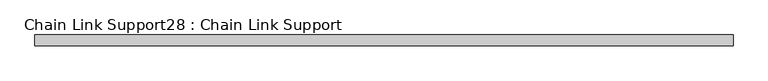
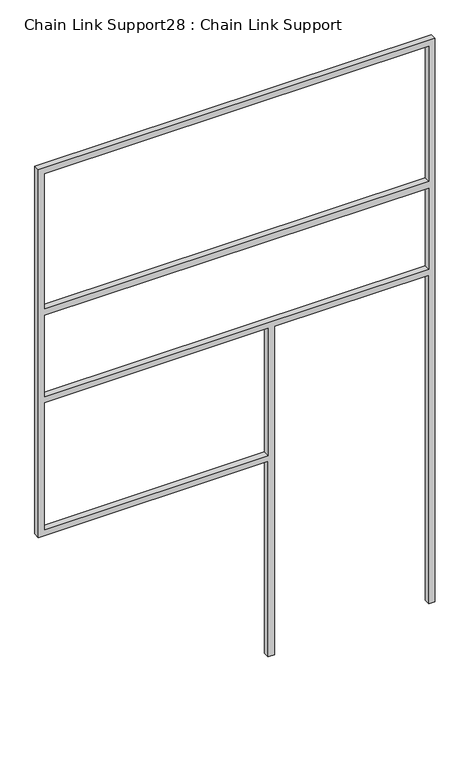
"""IFC4 building model written with IfcOpenShell, lengths in millimetres: proxy geometry, Chain Link Support28 : Chain Link Support."""

from ifc_helpers import new_model, si_unit, frame, origin, place, context, project, spatial, polyline, outline, extrude, source, transform, mapped, element, save


def chain_link_support28_chain_link_support_0de6685b(model_context):
    return source(origin(), model_context, "Body", "SweptSolid", [
        extrude(outline(polyline([(3657.6, -5813.4348205), (3657.6, -8251.8348205), (1270.0, -8251.8348205), (1270.0, -6838.9598205), (0.0, -6838.9598205), (0.0, -6800.8598205), (2133.6, -6800.8598205), (2133.6, -5851.5348205), (0.0, -5851.5348205), (0.0, -5813.4348205), (3657.6, -5813.4348205)]), holes=[polyline([(2171.7, -5851.5348205), (2171.7, -8213.7348205), (2698.75, -8213.7348205), (2698.75, -5851.5348205), (2171.7, -5851.5348205)]), polyline([(1308.1, -8213.7348205), (2133.6, -8213.7348205), (2133.6, -6838.9598205), (1308.1, -6838.9598205), (1308.1, -8213.7348205)]), polyline([(2743.2, -5851.5348205), (2743.2, -8213.7348205), (3619.5, -8213.7348205), (3619.5, -5851.5348205), (2743.2, -5851.5348205)])]), frame((0.0, -5842.957317, 0.0), z_axis=(0.0, 1.0, 0.0), x_axis=(0.0, 0.0, 1.0)), (0.0, 0.0, 1.0), 38.1),
    ])


if __name__ == "__main__":
    model = new_model("IFC4")
    model_context = context("Model", 3, world=origin())
    ifc_project = project(units=[si_unit("LENGTHUNIT", "METRE", prefix="MILLI")], contexts=[model_context])
    site = spatial("IfcSite", under=ifc_project)
    building = spatial("IfcBuilding", under=site)
    placement = place(None, origin())
    chain_link_support28_chain_link_support_shape = chain_link_support28_chain_link_support_0de6685b(model_context)
    element("IfcBuildingElementProxy", 1, Name="Chain Link Support28 : Chain Link Support", ObjectType="Chain Link Support28 : Chain Link Support", at=placement, inside=building, context=model_context, shape_type="MappedRepresentation", body=[
        mapped(chain_link_support28_chain_link_support_shape, transform((0.0, 0.0, 0.0), x_axis=(1.0, 0.0, 0.0), y_axis=(0.0, 1.0, 0.0), z_axis=(0.0, 0.0, 1.0))),
    ])
    save(model, "model.ifc")
